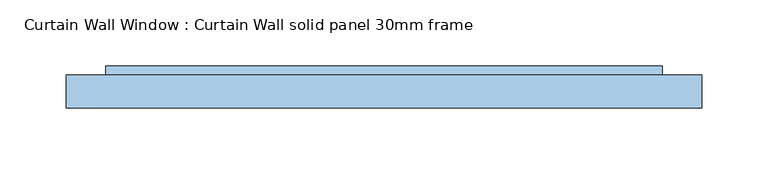
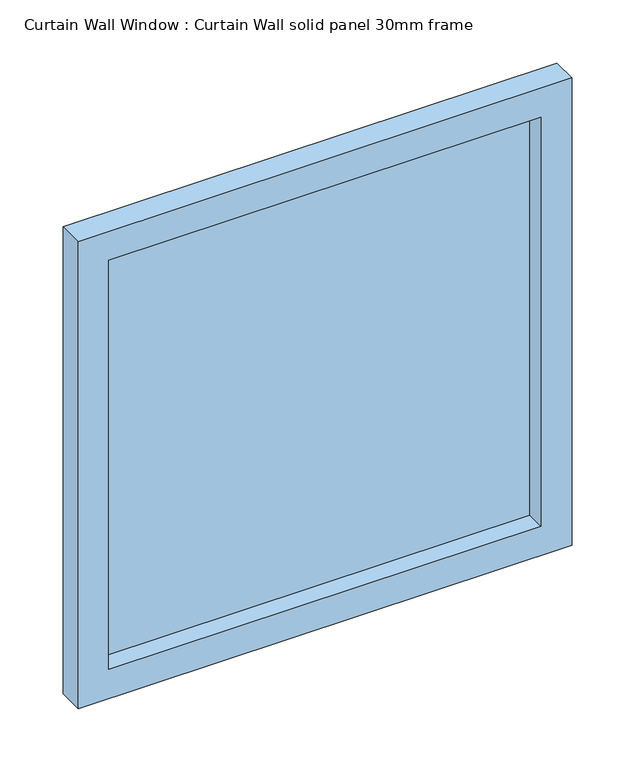
"""IFC4 building model written with IfcOpenShell, lengths in millimetres: window geometry, Curtain Wall Window : Curtain Wall solid panel 30mm frame."""

from ifc_helpers import new_model, si_unit, frame, origin, place, context, project, spatial, polyline, outline, extrude, source, transform, mapped, element, save


def curtain_wall_window_curtain_wall_solid_panel_30mm_frame_538b25b0(model_context):
    return source(origin(), model_context, "Body", "SweptSolid", [
        extrude(outline(polyline([(210.5000002, 19.05), (-210.5000002, 19.05), (-210.5000002, 31.75), (210.5000002, 31.75), (210.5000002, 19.05)])), frame((0.0, 0.0, 30.0), z_axis=(0.0, 0.0, 1.0), x_axis=(1.0, 0.0, 0.0)), (0.0, 0.0, 1.0), 420.9999903),
        extrude(outline(polyline([(480.9999903, -240.5000002), (0.0, -240.5000002), (0.0, 240.5000002), (480.9999903, 240.5000002), (480.9999903, -240.5000002)]), holes=[polyline([(450.9999903, -210.5000002), (450.9999903, 210.5000002), (30.0, 210.5000002), (30.0, -210.5000002), (450.9999903, -210.5000002)])]), frame((0.0, 0.0, 0.0), z_axis=(0.0, 1.0, 0.0), x_axis=(0.0, 0.0, 1.0)), (0.0, 0.0, 1.0), 25.0),
    ])


if __name__ == "__main__":
    model = new_model("IFC4")
    model_context = context("Model", 3, world=origin())
    ifc_project = project(units=[si_unit("LENGTHUNIT", "METRE", prefix="MILLI")], contexts=[model_context])
    site = spatial("IfcSite", under=ifc_project)
    building = spatial("IfcBuilding", under=site)
    placement = place(None, origin())
    curtain_wall_window_curtain_wall_solid_panel_30mm_frame_shape = curtain_wall_window_curtain_wall_solid_panel_30mm_frame_538b25b0(model_context)
    element("IfcWindow", 1, ObjectType="Curtain Wall Window : Curtain Wall solid panel 30mm frame", at=placement, inside=building, context=model_context, shape_type="MappedRepresentation", body=[
        mapped(curtain_wall_window_curtain_wall_solid_panel_30mm_frame_shape, transform((0.0, 0.0, 0.0), x_axis=(1.0, 0.0, 0.0), y_axis=(0.0, 1.0, 0.0), z_axis=(0.0, 0.0, 1.0))),
    ])
    save(model, "model.ifc")
